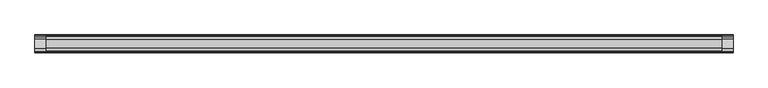
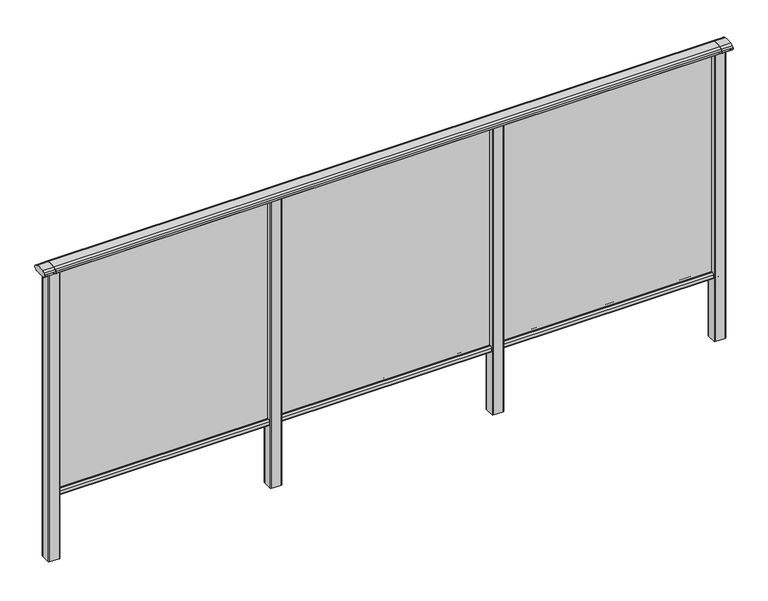
"""IFC4 building model written with IfcOpenShell, lengths in millimetres: railing geometry."""

import ifcopenshell
import ifcopenshell.guid

model = None  # the IFC model being written
_history = None  # IfcOwnerHistory: only IFC2X3 demands one
_inside = {}  # id of a spatial element -> (the spatial element, [elements in it])
_under = {}  # id of a project, library or spatial element -> (it, [spatial elements below it])
_declared = {}  # id of a project -> (the project, [libraries it declares])
_typed = {}  # id of a type object -> (the type object, [elements of that type])
_made_of = {}  # id of a material, layer set ... -> (it, [elements and type objects made of it])


def new_model(schema):
    """Start an empty IFC model of exactly this schema.

    Asked for "IFC4X3", IfcOpenShell would pick the latest addendum, in which some entities
    have other attributes; the version numbers below select the first issue.
    IFC2X3 requires an IfcOwnerHistory on every rooted entity: one is made here for all.
    """
    global model, _history
    if schema == "IFC4X3":
        model = ifcopenshell.file(schema_version=(4, 3, 0, 0))
    else:
        model = ifcopenshell.file(schema=schema)
    _inside.clear()
    _under.clear()
    _declared.clear()
    _typed.clear()
    _made_of.clear()
    _history = None
    if model.schema == "IFC2X3":
        org = make("IfcOrganization", Name="unknown")
        user = make(
            "IfcPersonAndOrganization",
            ThePerson=make("IfcPerson", FamilyName="unknown"),
            TheOrganization=org,
        )
        app = make(
            "IfcApplication",
            ApplicationDeveloper=org,
            Version="unknown",
            ApplicationFullName="unknown",
            ApplicationIdentifier="unknown",
        )
        _history = make(
            "IfcOwnerHistory",
            OwningUser=user,
            OwningApplication=app,
            ChangeAction="ADDED",
            CreationDate=0,
        )
    return model


def make(cls, **values):
    """One entity of the class cls with the attributes given. An attribute that is None is left unset."""
    return model.create_entity(
        cls, **{name: value for name, value in values.items() if value is not None}
    )


def rooted(cls, **values):
    """An entity with a GlobalId (a new one), such as an element, a storey or a relation."""
    return make(cls, GlobalId=ifcopenshell.guid.new(), OwnerHistory=_history, **values)


def si_unit(unit_type, name, prefix=None):
    """IfcSIUnit, for example si_unit("LENGTHUNIT", "METRE", prefix="MILLI")."""
    return make("IfcSIUnit", UnitType=unit_type, Prefix=prefix, Name=name)


def assignment(units):
    """IfcUnitAssignment: the units of a project."""
    return None if units is None else make("IfcUnitAssignment", Units=units)


def point(xyz):
    """IfcCartesianPoint."""
    return None if xyz is None else make("IfcCartesianPoint", Coordinates=xyz)


def direction(xyz):
    """IfcDirection."""
    return None if xyz is None else make("IfcDirection", DirectionRatios=xyz)


def frame(location, z_axis=None, x_axis=None):
    """IfcAxis2Placement3D, a coordinate frame: its origin and axes. An axis left out is left unset."""
    return make(
        "IfcAxis2Placement3D",
        Location=point(location),
        Axis=direction(z_axis),
        RefDirection=direction(x_axis),
    )


def frame_2d(location, x_axis=None):
    """IfcAxis2Placement2D, a coordinate frame in the plane: its origin and x axis."""
    return make(
        "IfcAxis2Placement2D", Location=point(location), RefDirection=direction(x_axis)
    )


def origin():
    """The frame at (0, 0, 0) with its axes left unset."""
    return frame((0.0, 0.0, 0.0))


def place(relative_to, where):
    """IfcLocalPlacement: puts the frame where relative to a parent placement (None: the world)."""
    return make(
        "IfcLocalPlacement", PlacementRelTo=relative_to, RelativePlacement=where
    )


def context(
    kind, dimensions, precision=None, world=None, true_north=None, identifier=None
):
    """IfcGeometricRepresentationContext, for example the 3D "Model" context."""
    return make(
        "IfcGeometricRepresentationContext",
        ContextIdentifier=identifier,
        ContextType=kind,
        CoordinateSpaceDimension=dimensions,
        Precision=precision,
        WorldCoordinateSystem=world,
        TrueNorth=true_north,
    )


def project(units=None, contexts=None):
    """IfcProject with its units and contexts."""
    return rooted(
        "IfcProject",
        Name="project",
        RepresentationContexts=contexts,
        UnitsInContext=assignment(units),
    )


def spatial(cls, under=None, at=None, **own):
    """A site, building, storey or space (cls), placed at a placement, below another one or the project."""
    s = rooted(cls, ObjectPlacement=at, **own)
    if under is not None:
        _under.setdefault(under.id(), (under, []))[1].append(s)
    return s


def polyline(points):
    """IfcPolyline through the points."""
    return make("IfcPolyline", Points=[point(p) for p in points])


def circle_curve(where, radius):
    """IfcCircle in the frame where."""
    return make("IfcCircle", Position=where, Radius=radius)


def trimmed(basis, trim1, trim2, sense, master):
    """IfcTrimmedCurve: the piece of a basis curve between two trims."""
    return make(
        "IfcTrimmedCurve",
        BasisCurve=basis,
        Trim1=trim1,
        Trim2=trim2,
        SenseAgreement=sense,
        MasterRepresentation=master,
    )


def segment(curve, same_sense, transition):
    """IfcCompositeCurveSegment."""
    return make(
        "IfcCompositeCurveSegment",
        Transition=transition,
        SameSense=same_sense,
        ParentCurve=curve,
    )


def composite_curve(segments, self_intersect=None):
    """IfcCompositeCurve: segments joined end to end."""
    return make("IfcCompositeCurve", Segments=segments, SelfIntersect=self_intersect)


def outline(outer, holes=None, kind="AREA"):
    """IfcArbitraryClosedProfileDef: a profile drawn as a closed curve; with holes, ...WithVoids."""
    if holes is None:
        return make("IfcArbitraryClosedProfileDef", ProfileType=kind, OuterCurve=outer)
    return make(
        "IfcArbitraryProfileDefWithVoids",
        ProfileType=kind,
        OuterCurve=outer,
        InnerCurves=holes,
    )


def extrude(swept, where, along, depth):
    """IfcExtrudedAreaSolid: the profile swept, set in the frame where, extruded along a direction by depth."""
    return make(
        "IfcExtrudedAreaSolid",
        SweptArea=swept,
        Position=where,
        ExtrudedDirection=direction(along),
        Depth=depth,
    )


def shape(context_of_items, identifier, shape_type, items):
    """IfcShapeRepresentation: the items that make up one representation, for example the "Body"."""
    return make(
        "IfcShapeRepresentation",
        ContextOfItems=context_of_items,
        RepresentationIdentifier=identifier,
        RepresentationType=shape_type,
        Items=items,
    )


def source(mapping_origin, context_of_items, identifier, shape_type, items):
    """IfcRepresentationMap: a shape defined once, which mapped items show again and again."""
    return make(
        "IfcRepresentationMap",
        MappingOrigin=mapping_origin,
        MappedRepresentation=shape(context_of_items, identifier, shape_type, items),
    )


def transform(
    local_origin,
    x_axis=None,
    y_axis=None,
    z_axis=None,
    scale=None,
    scale2=None,
    scale3=None,
    uniform=True,
):
    """IfcCartesianTransformationOperator3D, or its non-uniform kind. x_axis, y_axis, z_axis: its Axis1, 2, 3."""
    if uniform:
        return make(
            "IfcCartesianTransformationOperator3D",
            Axis1=direction(x_axis),
            Axis2=direction(y_axis),
            LocalOrigin=point(local_origin),
            Scale=scale,
            Axis3=direction(z_axis),
        )
    return make(
        "IfcCartesianTransformationOperator3DnonUniform",
        Axis1=direction(x_axis),
        Axis2=direction(y_axis),
        LocalOrigin=point(local_origin),
        Scale=scale,
        Axis3=direction(z_axis),
        Scale2=scale2,
        Scale3=scale3,
    )


def mapped(mapping_source, mapping_target):
    """IfcMappedItem: shows the shape of a source again, moved by a transform."""
    return make(
        "IfcMappedItem", MappingSource=mapping_source, MappingTarget=mapping_target
    )


def made_of(thing, what):
    """Note that an element or type object is made of a material, layer set ...; save() writes the relation."""
    if what is not None:
        _made_of.setdefault(what.id(), (what, []))[1].append(thing)
    return thing


def element(
    cls,
    number,
    at=None,
    inside=None,
    cuts=None,
    type_object=None,
    material=None,
    context=None,
    identifier="Body",
    shape_type=None,
    held_by="IfcProductDefinitionShape",
    body=None,
    shapes=None,
    **own,
):
    """One element of the class cls, such as IfcWall. Its Tag is "e" and its number.

    at: its placement. inside: the storey or other place that contains it. cuts: it is an
    opening in that element (IfcRelVoidsElement). A single representation is given by context,
    identifier, shape_type and body (its items); several are given by shapes. held_by: the class
    of the entity that holds the representations. save() writes the other relations.
    """
    e = rooted(cls, Tag="e%d" % number, ObjectPlacement=at, **own)
    if body is not None:
        shapes = [shape(context, identifier, shape_type, body)]
    if shapes is not None:
        e.Representation = make(held_by, Representations=shapes)
    if inside is not None:
        _inside.setdefault(inside.id(), (inside, []))[1].append(e)
    if cuts is not None:
        rooted(
            "IfcRelVoidsElement", RelatingBuildingElement=cuts, RelatedOpeningElement=e
        )
    if type_object is not None:
        _typed.setdefault(type_object.id(), (type_object, []))[1].append(e)
    return made_of(e, material)


def aggregate(whole, parts):
    """IfcRelAggregates: a whole, such as a stair, and the parts it consists of."""
    return rooted("IfcRelAggregates", RelatingObject=whole, RelatedObjects=parts)


def save(model, path):
    """Write the relations noted so far, then the file.

    IfcRelAggregates (storeys below a building ...), IfcRelContainedInSpatialStructure (elements
    in a storey), IfcRelDefinesByType, IfcRelAssociatesMaterial and IfcRelDeclares: one each for
    every whole, place, type object, material and project.
    """
    for whole, parts in _under.values():
        aggregate(whole, parts)
    for where, things in _inside.values():
        rooted(
            "IfcRelContainedInSpatialStructure",
            RelatedElements=things,
            RelatingStructure=where,
        )
    for kind, things in _typed.values():
        rooted("IfcRelDefinesByType", RelatedObjects=things, RelatingType=kind)
    for what, things in _made_of.values():
        rooted("IfcRelAssociatesMaterial", RelatedObjects=things, RelatingMaterial=what)
    for by, libraries in _declared.values():
        rooted("IfcRelDeclares", RelatingContext=by, RelatedDefinitions=libraries)
    model.write(path)


def railing_a06554d9(model_context):
    return source(origin(), model_context, "Body", "SweptSolid", [
        extrude(outline(composite_curve([segment(trimmed(circle_curve(frame_2d((7270.3619413, 1153.851602)), 44.999996), [point((7281.0673858, 1197.5596459))], [point((7293.2601573, 1192.5901015))], False, "CARTESIAN"), True, "CONTINUOUS"), segment(trimmed(circle_curve(frame_2d((7284.6097194, 1177.955556)), 17.0), [point((7293.2601573, 1192.5901015))], [point((7299.1544589, 1186.7561556))], False, "CARTESIAN"), True, "CONTINUOUS"), segment(trimmed(circle_curve(frame_2d((7292.0959826, 1182.4852765)), 8.2499997), [point((7299.1544589, 1186.7561556))], [point((7299.1544535, 1178.2143885))], False, "CARTESIAN"), True, "CONTINUOUS"), segment(trimmed(circle_curve(frame_2d((7284.6097251, 1187.0150065)), 17.0), [point((7299.1544535, 1178.2143885))], [point((7293.2601665, 1172.380463))], False, "CARTESIAN"), True, "CONTINUOUS"), segment(trimmed(circle_curve(frame_2d((7270.3619413, 1211.1189571)), 44.999996), [point((7293.2601665, 1172.380463))], [point((7288.7876029, 1170.064181))], False, "CARTESIAN"), True, "CONTINUOUS"), segment(trimmed(circle_curve(frame_2d((7288.1786159, 1172.1635324)), 2.185896), [point((7288.7876029, 1170.064181))], [point((7287.9960148, 1169.9852766))], False, "CARTESIAN"), True, "CONTINUOUS"), segment(trimmed(circle_curve(frame_2d((7287.9960148, 1170.8852766)), 0.9), [point((7287.9960148, 1169.9852766))], [point((7287.0981091, 1170.8239135))], False, "CARTESIAN"), True, "CONTINUOUS"), segment(trimmed(circle_curve(frame_2d((7286.5194733, 1170.8239135)), 0.5786359), [point((7287.0981091, 1170.8239135))], [point((7286.5194733, 1170.2452777))], False, "CARTESIAN"), True, "CONTINUOUS"), segment(polyline([(7286.5194733, 1170.2452777), (7269.5751393, 1170.2452777)]), True, "CONTINUOUS"), segment(trimmed(circle_curve(frame_2d((7260.8508208, 1187.1238497)), 18.999998), [point((7269.5751393, 1170.2452777))], [point((7252.1265024, 1170.2452777))], False, "CARTESIAN"), True, "CONTINUOUS"), segment(polyline([(7252.1265024, 1170.2452777), (7235.1821348, 1170.2452777)]), True, "CONTINUOUS"), segment(trimmed(circle_curve(frame_2d((7235.1821348, 1170.8239135)), 0.5786359), [point((7235.1821348, 1170.2452777))], [point((7234.603499, 1170.8239135))], False, "CARTESIAN"), True, "CONTINUOUS"), segment(trimmed(circle_curve(frame_2d((7233.7055933, 1170.8852766)), 0.9), [point((7234.603499, 1170.8239135))], [point((7233.7055933, 1169.9852766))], False, "CARTESIAN"), True, "CONTINUOUS"), segment(trimmed(circle_curve(frame_2d((7233.5229922, 1172.1635324)), 2.185896), [point((7233.7055933, 1169.9852766))], [point((7232.9140052, 1170.064181))], False, "CARTESIAN"), True, "CONTINUOUS"), segment(trimmed(circle_curve(frame_2d((7251.3396668, 1211.1189571)), 44.999996), [point((7232.9140052, 1170.064181))], [point((7228.8767914, 1172.1264081))], False, "CARTESIAN"), True, "CONTINUOUS"), segment(trimmed(circle_curve(frame_2d((7237.082215, 1187.0150288)), 17.0), [point((7228.8767914, 1172.1264081))], [point((7222.5375128, 1178.2143675))], False, "CARTESIAN"), True, "CONTINUOUS"), segment(trimmed(circle_curve(frame_2d((7229.595971, 1182.4852765)), 8.2499997), [point((7222.5375128, 1178.2143675))], [point((7222.5375074, 1186.7561766))], False, "CARTESIAN"), True, "CONTINUOUS"), segment(trimmed(circle_curve(frame_2d((7237.0822207, 1177.9555337)), 17.0), [point((7222.5375074, 1186.7561766))], [point((7228.4317599, 1192.5900657))], False, "CARTESIAN"), True, "CONTINUOUS"), segment(trimmed(circle_curve(frame_2d((7251.3300365, 1153.851602)), 44.999996), [point((7228.4317599, 1192.5900657))], [point((7240.624592, 1197.5596459))], False, "CARTESIAN"), True, "CONTINUOUS"), segment(trimmed(circle_curve(frame_2d((7260.8459889, 1115.0000001)), 85.0), [point((7240.624592, 1197.5596459))], [point((7281.0673858, 1197.5596459))], False, "CARTESIAN"), True, "CONTINUOUS")], self_intersect=False)), frame((-428.6053075, 0.0, 0.0), z_axis=(1.0, 0.0, 0.0), x_axis=(0.0, 1.0, 0.0)), (0.0, 0.0, 1.0), 3000.0),
        extrude(outline(composite_curve([segment(polyline([(7276.5508136, 100.0), (7245.1507946, 100.0)]), True, "CONTINUOUS"), segment(trimmed(circle_curve(frame_2d((7245.1507946, 101.8)), 1.8), [point((7245.1507946, 100.0))], [point((7243.3507946, 101.8))], False, "CARTESIAN"), True, "CONTINUOUS"), segment(polyline([(7243.3507946, 101.8), (7243.3507946, 115.5269955)]), True, "CONTINUOUS"), segment(trimmed(circle_curve(frame_2d((7245.1507946, 115.5269955)), 1.8), [point((7243.3507946, 115.5269955))], [point((7243.7923399, 116.7079277))], False, "CARTESIAN"), True, "CONTINUOUS"), segment(polyline([(7243.7923399, 116.7079277), (7250.4626384, 124.3809322)]), True, "CONTINUOUS"), segment(trimmed(circle_curve(frame_2d((7251.8210931, 123.2)), 1.8), [point((7250.4626384, 124.3809322))], [point((7251.8210931, 125.0))], False, "CARTESIAN"), True, "CONTINUOUS"), segment(polyline([(7251.8210931, 125.0), (7255.5111113, 125.0), (7256.809143, 113.0), (7264.8924411, 113.0), (7266.1904978, 125.0), (7269.88054, 125.0)]), True, "CONTINUOUS"), segment(trimmed(circle_curve(frame_2d((7269.88054, 123.2)), 1.8), [point((7269.88054, 125.0))], [point((7271.2389969, 124.3809297))], False, "CARTESIAN"), True, "CONTINUOUS"), segment(polyline([(7271.2389969, 124.3809297), (7277.9092704, 116.7079252)]), True, "CONTINUOUS"), segment(trimmed(circle_curve(frame_2d((7276.5508136, 115.5269955)), 1.8), [point((7277.9092704, 116.7079252))], [point((7278.3508136, 115.5269955))], False, "CARTESIAN"), True, "CONTINUOUS"), segment(polyline([(7278.3508136, 115.5269955), (7278.3508136, 101.8)]), True, "CONTINUOUS"), segment(trimmed(circle_curve(frame_2d((7276.5508136, 101.8)), 1.8), [point((7278.3508136, 101.8))], [point((7276.5508136, 100.0))], False, "CARTESIAN"), True, "CONTINUOUS")], self_intersect=False)), frame((-428.6053075, 0.0, 0.0), z_axis=(1.0, 0.0, 0.0), x_axis=(0.0, 1.0, 0.0)), (0.0, 0.0, 1.0), 3000.0),
        extrude(outline(polyline([(-428.6053075, 7258.8508041), (-428.6053075, 7262.8508041), (2571.3946925, 7262.8508041), (2571.3946925, 7258.8508041), (-428.6053075, 7258.8508041)])), frame((0.0, 0.0, 110.0), z_axis=(0.0, 0.0, 1.0), x_axis=(1.0, 0.0, 0.0)), (0.0, 0.0, 1.0), 1070.0),
        extrude(outline(composite_curve([segment(trimmed(circle_curve(frame_2d((1593.7947043, 7283.2508153)), 3.0), [point((1593.794704, 7286.2508153))], [point((1596.7947043, 7283.2508156))], False, "CARTESIAN"), True, "CONTINUOUS"), segment(polyline([(1596.7947043, 7283.2508156), (1596.7947083, 7238.4507926)]), True, "CONTINUOUS"), segment(trimmed(circle_curve(frame_2d((1593.7947083, 7238.4507923)), 3.0), [point((1596.7947083, 7238.4507926))], [point((1593.7947086, 7235.4507923))], False, "CARTESIAN"), True, "CONTINUOUS"), segment(polyline([(1593.7947086, 7235.4507923), (1548.9946856, 7235.4507883)]), True, "CONTINUOUS"), segment(trimmed(circle_curve(frame_2d((1548.9946853, 7238.4507883)), 3.0), [point((1548.9946856, 7235.4507883))], [point((1545.9946853, 7238.450788))], False, "CARTESIAN"), True, "CONTINUOUS"), segment(polyline([(1545.9946853, 7238.450788), (1545.9946813, 7283.250811)]), True, "CONTINUOUS"), segment(trimmed(circle_curve(frame_2d((1548.9946813, 7283.2508113)), 3.0), [point((1545.9946813, 7283.250811))], [point((1548.994681, 7286.2508113))], False, "CARTESIAN"), True, "CONTINUOUS"), segment(polyline([(1548.994681, 7286.2508113), (1593.794704, 7286.2508153)]), True, "CONTINUOUS")], self_intersect=False)), frame((0.0, 0.0, -198.0), z_axis=(0.0, 0.0, 1.0), x_axis=(1.0, 0.0, 0.0)), (0.0, 0.0, 1.0), 1366.1238517),
        extrude(outline(composite_curve([segment(trimmed(circle_curve(frame_2d((593.7947043, 7283.2508153)), 3.0), [point((593.794704, 7286.2508153))], [point((596.7947043, 7283.2508156))], False, "CARTESIAN"), True, "CONTINUOUS"), segment(polyline([(596.7947043, 7283.2508156), (596.7947083, 7238.4507926)]), True, "CONTINUOUS"), segment(trimmed(circle_curve(frame_2d((593.7947083, 7238.4507923)), 3.0), [point((596.7947083, 7238.4507926))], [point((593.7947086, 7235.4507923))], False, "CARTESIAN"), True, "CONTINUOUS"), segment(polyline([(593.7947086, 7235.4507923), (548.9946856, 7235.4507883)]), True, "CONTINUOUS"), segment(trimmed(circle_curve(frame_2d((548.9946853, 7238.4507883)), 3.0), [point((548.9946856, 7235.4507883))], [point((545.9946853, 7238.450788))], False, "CARTESIAN"), True, "CONTINUOUS"), segment(polyline([(545.9946853, 7238.450788), (545.9946813, 7283.250811)]), True, "CONTINUOUS"), segment(trimmed(circle_curve(frame_2d((548.9946813, 7283.2508113)), 3.0), [point((545.9946813, 7283.250811))], [point((548.994681, 7286.2508113))], False, "CARTESIAN"), True, "CONTINUOUS"), segment(polyline([(548.994681, 7286.2508113), (593.794704, 7286.2508153)]), True, "CONTINUOUS")], self_intersect=False)), frame((0.0, 0.0, -198.0), z_axis=(0.0, 0.0, 1.0), x_axis=(1.0, 0.0, 0.0)), (0.0, 0.0, 1.0), 1366.1238517),
        extrude(outline(composite_curve([segment(trimmed(circle_curve(frame_2d((2593.7947043, 7283.2508153)), 3.0), [point((2593.794704, 7286.2508153))], [point((2596.7947043, 7283.2508156))], False, "CARTESIAN"), True, "CONTINUOUS"), segment(polyline([(2596.7947043, 7283.2508156), (2596.7947083, 7238.4507926)]), True, "CONTINUOUS"), segment(trimmed(circle_curve(frame_2d((2593.7947083, 7238.4507923)), 3.0), [point((2596.7947083, 7238.4507926))], [point((2593.7947086, 7235.4507923))], False, "CARTESIAN"), True, "CONTINUOUS"), segment(polyline([(2593.7947086, 7235.4507923), (2548.9946856, 7235.4507883)]), True, "CONTINUOUS"), segment(trimmed(circle_curve(frame_2d((2548.9946853, 7238.4507883)), 3.0), [point((2548.9946856, 7235.4507883))], [point((2545.9946853, 7238.450788))], False, "CARTESIAN"), True, "CONTINUOUS"), segment(polyline([(2545.9946853, 7238.450788), (2545.9946813, 7283.250811)]), True, "CONTINUOUS"), segment(trimmed(circle_curve(frame_2d((2548.9946813, 7283.2508113)), 3.0), [point((2545.9946813, 7283.250811))], [point((2548.994681, 7286.2508113))], False, "CARTESIAN"), True, "CONTINUOUS"), segment(polyline([(2548.994681, 7286.2508113), (2593.794704, 7286.2508153)]), True, "CONTINUOUS")], self_intersect=False)), frame((0.0, 0.0, -198.0), z_axis=(0.0, 0.0, 1.0), x_axis=(1.0, 0.0, 0.0)), (0.0, 0.0, 1.0), 1366.1238517),
        extrude(outline(composite_curve([segment(trimmed(circle_curve(frame_2d((7270.3619413, 1153.851602)), 44.999996), [point((7281.0673858, 1197.5596459))], [point((7293.2601573, 1192.5901015))], False, "CARTESIAN"), True, "CONTINUOUS"), segment(trimmed(circle_curve(frame_2d((7284.6097194, 1177.955556)), 17.0), [point((7293.2601573, 1192.5901015))], [point((7299.1544589, 1186.7561556))], False, "CARTESIAN"), True, "CONTINUOUS"), segment(trimmed(circle_curve(frame_2d((7292.0959826, 1182.4852765)), 8.2499997), [point((7299.1544589, 1186.7561556))], [point((7299.1544535, 1178.2143885))], False, "CARTESIAN"), True, "CONTINUOUS"), segment(trimmed(circle_curve(frame_2d((7284.6097251, 1187.0150065)), 17.0), [point((7299.1544535, 1178.2143885))], [point((7293.2601665, 1172.380463))], False, "CARTESIAN"), True, "CONTINUOUS"), segment(trimmed(circle_curve(frame_2d((7270.3619413, 1211.1189571)), 44.999996), [point((7293.2601665, 1172.380463))], [point((7288.7876029, 1170.064181))], False, "CARTESIAN"), True, "CONTINUOUS"), segment(trimmed(circle_curve(frame_2d((7288.1786159, 1172.1635324)), 2.185896), [point((7288.7876029, 1170.064181))], [point((7287.9960148, 1169.9852766))], False, "CARTESIAN"), True, "CONTINUOUS"), segment(trimmed(circle_curve(frame_2d((7287.9960148, 1170.8852766)), 0.9), [point((7287.9960148, 1169.9852766))], [point((7287.0981091, 1170.8239135))], False, "CARTESIAN"), True, "CONTINUOUS"), segment(trimmed(circle_curve(frame_2d((7286.5194733, 1170.8239135)), 0.5786359), [point((7287.0981091, 1170.8239135))], [point((7286.5194733, 1170.2452777))], False, "CARTESIAN"), True, "CONTINUOUS"), segment(polyline([(7286.5194733, 1170.2452777), (7269.5751393, 1170.2452777)]), True, "CONTINUOUS"), segment(trimmed(circle_curve(frame_2d((7260.8508208, 1187.1238497)), 18.999998), [point((7269.5751393, 1170.2452777))], [point((7252.1265024, 1170.2452777))], False, "CARTESIAN"), True, "CONTINUOUS"), segment(polyline([(7252.1265024, 1170.2452777), (7235.1821348, 1170.2452777)]), True, "CONTINUOUS"), segment(trimmed(circle_curve(frame_2d((7235.1821348, 1170.8239135)), 0.5786359), [point((7235.1821348, 1170.2452777))], [point((7234.603499, 1170.8239135))], False, "CARTESIAN"), True, "CONTINUOUS"), segment(trimmed(circle_curve(frame_2d((7233.7055933, 1170.8852766)), 0.9), [point((7234.603499, 1170.8239135))], [point((7233.7055933, 1169.9852766))], False, "CARTESIAN"), True, "CONTINUOUS"), segment(trimmed(circle_curve(frame_2d((7233.5229922, 1172.1635324)), 2.185896), [point((7233.7055933, 1169.9852766))], [point((7232.9140052, 1170.064181))], False, "CARTESIAN"), True, "CONTINUOUS"), segment(trimmed(circle_curve(frame_2d((7251.3396668, 1211.1189571)), 44.999996), [point((7232.9140052, 1170.064181))], [point((7228.8767914, 1172.1264081))], False, "CARTESIAN"), True, "CONTINUOUS"), segment(trimmed(circle_curve(frame_2d((7237.082215, 1187.0150288)), 17.0), [point((7228.8767914, 1172.1264081))], [point((7222.5375128, 1178.2143675))], False, "CARTESIAN"), True, "CONTINUOUS"), segment(trimmed(circle_curve(frame_2d((7229.595971, 1182.4852765)), 8.2499997), [point((7222.5375128, 1178.2143675))], [point((7222.5375074, 1186.7561766))], False, "CARTESIAN"), True, "CONTINUOUS"), segment(trimmed(circle_curve(frame_2d((7237.0822207, 1177.9555337)), 17.0), [point((7222.5375074, 1186.7561766))], [point((7228.4317599, 1192.5900657))], False, "CARTESIAN"), True, "CONTINUOUS"), segment(trimmed(circle_curve(frame_2d((7251.3300365, 1153.851602)), 44.999996), [point((7228.4317599, 1192.5900657))], [point((7240.624592, 1197.5596459))], False, "CARTESIAN"), True, "CONTINUOUS"), segment(trimmed(circle_curve(frame_2d((7260.8459889, 1115.0000001)), 85.0), [point((7240.624592, 1197.5596459))], [point((7281.0673858, 1197.5596459))], False, "CARTESIAN"), True, "CONTINUOUS")], self_intersect=False)), frame((2571.3946838, 0.0, 0.0), z_axis=(1.0, 0.0, 0.0), x_axis=(0.0, 1.0, 0.0)), (0.0, 0.0, 1.0), 50.0),
        extrude(outline(composite_curve([segment(trimmed(circle_curve(frame_2d((-406.2052957, 7283.2508153)), 3.0), [point((-406.205296, 7286.2508153))], [point((-403.2052957, 7283.2508156))], False, "CARTESIAN"), True, "CONTINUOUS"), segment(polyline([(-403.2052957, 7283.2508156), (-403.2052917, 7238.4507926)]), True, "CONTINUOUS"), segment(trimmed(circle_curve(frame_2d((-406.2052917, 7238.4507923)), 3.0), [point((-403.2052917, 7238.4507926))], [point((-406.2052914, 7235.4507923))], False, "CARTESIAN"), True, "CONTINUOUS"), segment(polyline([(-406.2052914, 7235.4507923), (-451.0053144, 7235.4507883)]), True, "CONTINUOUS"), segment(trimmed(circle_curve(frame_2d((-451.0053147, 7238.4507883)), 3.0), [point((-451.0053144, 7235.4507883))], [point((-454.0053147, 7238.450788))], False, "CARTESIAN"), True, "CONTINUOUS"), segment(polyline([(-454.0053147, 7238.450788), (-454.0053187, 7283.250811)]), True, "CONTINUOUS"), segment(trimmed(circle_curve(frame_2d((-451.0053187, 7283.2508113)), 3.0), [point((-454.0053187, 7283.250811))], [point((-451.005319, 7286.2508113))], False, "CARTESIAN"), True, "CONTINUOUS"), segment(polyline([(-451.005319, 7286.2508113), (-406.205296, 7286.2508153)]), True, "CONTINUOUS")], self_intersect=False)), frame((0.0, 0.0, -198.0), z_axis=(0.0, 0.0, 1.0), x_axis=(1.0, 0.0, 0.0)), (0.0, 0.0, 1.0), 1366.1238517),
        extrude(outline(composite_curve([segment(trimmed(circle_curve(frame_2d((7270.3619413, 1153.851602)), 44.999996), [point((7281.0673858, 1197.5596459))], [point((7293.2601573, 1192.5901015))], False, "CARTESIAN"), True, "CONTINUOUS"), segment(trimmed(circle_curve(frame_2d((7284.6097194, 1177.955556)), 17.0), [point((7293.2601573, 1192.5901015))], [point((7299.1544589, 1186.7561556))], False, "CARTESIAN"), True, "CONTINUOUS"), segment(trimmed(circle_curve(frame_2d((7292.0959826, 1182.4852765)), 8.2499997), [point((7299.1544589, 1186.7561556))], [point((7299.1544535, 1178.2143885))], False, "CARTESIAN"), True, "CONTINUOUS"), segment(trimmed(circle_curve(frame_2d((7284.6097251, 1187.0150065)), 17.0), [point((7299.1544535, 1178.2143885))], [point((7293.2601665, 1172.380463))], False, "CARTESIAN"), True, "CONTINUOUS"), segment(trimmed(circle_curve(frame_2d((7270.3619413, 1211.1189571)), 44.999996), [point((7293.2601665, 1172.380463))], [point((7288.7876029, 1170.064181))], False, "CARTESIAN"), True, "CONTINUOUS"), segment(trimmed(circle_curve(frame_2d((7288.1786159, 1172.1635324)), 2.185896), [point((7288.7876029, 1170.064181))], [point((7287.9960148, 1169.9852766))], False, "CARTESIAN"), True, "CONTINUOUS"), segment(trimmed(circle_curve(frame_2d((7287.9960148, 1170.8852766)), 0.9), [point((7287.9960148, 1169.9852766))], [point((7287.0981091, 1170.8239135))], False, "CARTESIAN"), True, "CONTINUOUS"), segment(trimmed(circle_curve(frame_2d((7286.5194733, 1170.8239135)), 0.5786359), [point((7287.0981091, 1170.8239135))], [point((7286.5194733, 1170.2452777))], False, "CARTESIAN"), True, "CONTINUOUS"), segment(polyline([(7286.5194733, 1170.2452777), (7269.5751393, 1170.2452777)]), True, "CONTINUOUS"), segment(trimmed(circle_curve(frame_2d((7260.8508208, 1187.1238497)), 18.999998), [point((7269.5751393, 1170.2452777))], [point((7252.1265024, 1170.2452777))], False, "CARTESIAN"), True, "CONTINUOUS"), segment(polyline([(7252.1265024, 1170.2452777), (7235.1821348, 1170.2452777)]), True, "CONTINUOUS"), segment(trimmed(circle_curve(frame_2d((7235.1821348, 1170.8239135)), 0.5786359), [point((7235.1821348, 1170.2452777))], [point((7234.603499, 1170.8239135))], False, "CARTESIAN"), True, "CONTINUOUS"), segment(trimmed(circle_curve(frame_2d((7233.7055933, 1170.8852766)), 0.9), [point((7234.603499, 1170.8239135))], [point((7233.7055933, 1169.9852766))], False, "CARTESIAN"), True, "CONTINUOUS"), segment(trimmed(circle_curve(frame_2d((7233.5229922, 1172.1635324)), 2.185896), [point((7233.7055933, 1169.9852766))], [point((7232.9140052, 1170.064181))], False, "CARTESIAN"), True, "CONTINUOUS"), segment(trimmed(circle_curve(frame_2d((7251.3396668, 1211.1189571)), 44.999996), [point((7232.9140052, 1170.064181))], [point((7228.8767914, 1172.1264081))], False, "CARTESIAN"), True, "CONTINUOUS"), segment(trimmed(circle_curve(frame_2d((7237.082215, 1187.0150288)), 17.0), [point((7228.8767914, 1172.1264081))], [point((7222.5375128, 1178.2143675))], False, "CARTESIAN"), True, "CONTINUOUS"), segment(trimmed(circle_curve(frame_2d((7229.595971, 1182.4852765)), 8.2499997), [point((7222.5375128, 1178.2143675))], [point((7222.5375074, 1186.7561766))], False, "CARTESIAN"), True, "CONTINUOUS"), segment(trimmed(circle_curve(frame_2d((7237.0822207, 1177.9555337)), 17.0), [point((7222.5375074, 1186.7561766))], [point((7228.4317599, 1192.5900657))], False, "CARTESIAN"), True, "CONTINUOUS"), segment(trimmed(circle_curve(frame_2d((7251.3300365, 1153.851602)), 44.999996), [point((7228.4317599, 1192.5900657))], [point((7240.624592, 1197.5596459))], False, "CARTESIAN"), True, "CONTINUOUS"), segment(trimmed(circle_curve(frame_2d((7260.8459889, 1115.0000001)), 85.0), [point((7240.624592, 1197.5596459))], [point((7281.0673858, 1197.5596459))], False, "CARTESIAN"), True, "CONTINUOUS")], self_intersect=False)), frame((-478.6053162, 0.0, 0.0), z_axis=(1.0, 0.0, 0.0), x_axis=(0.0, 1.0, 0.0)), (0.0, 0.0, 1.0), 50.0),
    ])


if __name__ == "__main__":
    model = new_model("IFC4")
    model_context = context("Model", 3, world=origin())
    ifc_project = project(units=[si_unit("LENGTHUNIT", "METRE", prefix="MILLI")], contexts=[model_context])
    site = spatial("IfcSite", under=ifc_project)
    building = spatial("IfcBuilding", under=site)
    placement = place(None, origin())
    railing_shape = railing_a06554d9(model_context)
    element("IfcRailing", 1, at=placement, inside=building, context=model_context, shape_type="MappedRepresentation", body=[
        mapped(railing_shape, transform((0.0, 0.0, 0.0), x_axis=(1.0, 0.0, 0.0), y_axis=(0.0, 1.0, 0.0), z_axis=(0.0, 0.0, 1.0))),
    ])
    save(model, "model.ifc")
